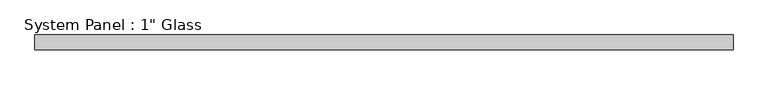
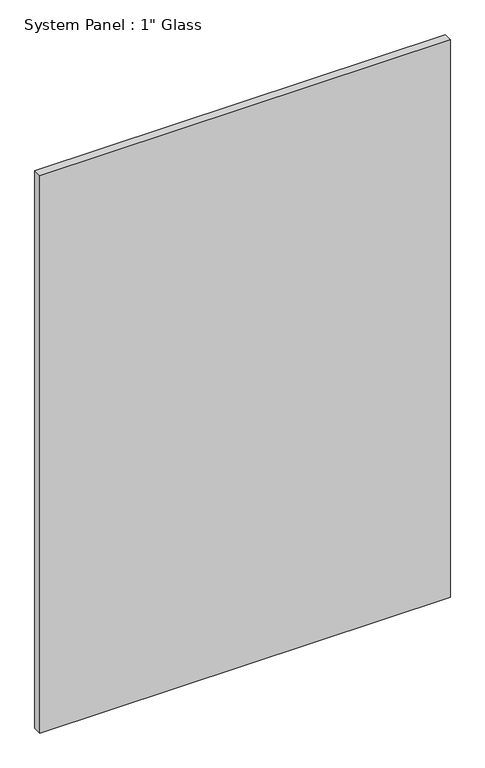
"""IFC4 building model written with IfcOpenShell, lengths in millimetres: plate geometry."""

from ifc_helpers import new_model, si_unit, origin, origin_with_axes, place, context, project, spatial, polyline, outline, extrude, source, transform, mapped, element, save


def plate_2add041d(model_context):
    return source(origin(), model_context, "Body", "SweptSolid", [
        extrude(outline(polyline([(606.425, -12.7), (-606.425, -12.7), (-606.425, 12.7), (606.425, 12.7), (606.425, -12.7)])), origin_with_axes(), (0.0, 0.0, 1.0), 1739.9),
    ])


if __name__ == "__main__":
    model = new_model("IFC4")
    model_context = context("Model", 3, world=origin())
    ifc_project = project(units=[si_unit("LENGTHUNIT", "METRE", prefix="MILLI")], contexts=[model_context])
    site = spatial("IfcSite", under=ifc_project)
    building = spatial("IfcBuilding", under=site)
    placement = place(None, origin())
    plate_shape = plate_2add041d(model_context)
    element("IfcPlate", 1, ObjectType="System Panel : 1\" Glass", at=placement, inside=building, context=model_context, shape_type="MappedRepresentation", body=[
        mapped(plate_shape, transform((0.0, 0.0, 0.0), x_axis=(1.0, 0.0, 0.0), y_axis=(0.0, 1.0, 0.0), z_axis=(0.0, 0.0, 1.0))),
    ])
    save(model, "model.ifc")
